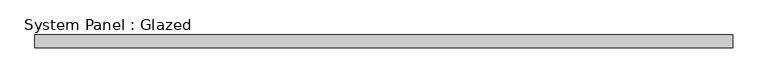
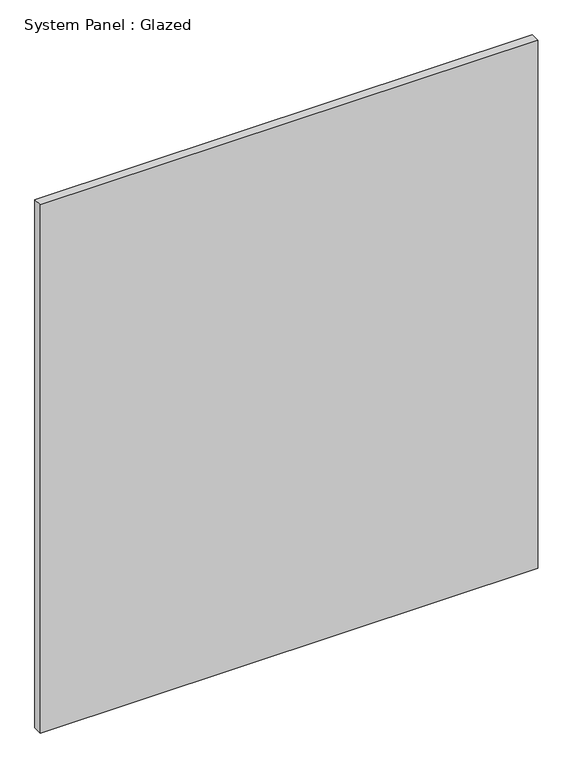
"""IFC4 building model written with IfcOpenShell, lengths in millimetres: plate geometry, System Panel : Glazed."""

from ifc_helpers import new_model, si_unit, origin, origin_with_axes, place, context, project, spatial, polyline, outline, extrude, source, transform, mapped, element, save


def system_panel_glazed_6573c7bc(model_context):
    return source(origin(), model_context, "Body", "SweptSolid", [
        extrude(outline(polyline([(671.0251771, 24.5), (-671.0251771, 24.5), (-671.0251771, 49.5), (671.0251771, 49.5), (671.0251771, 24.5)])), origin_with_axes(), (0.0, 0.0, 1.0), 1506.050088),
    ])


if __name__ == "__main__":
    model = new_model("IFC4")
    model_context = context("Model", 3, world=origin())
    ifc_project = project(units=[si_unit("LENGTHUNIT", "METRE", prefix="MILLI")], contexts=[model_context])
    site = spatial("IfcSite", under=ifc_project)
    building = spatial("IfcBuilding", under=site)
    placement = place(None, origin())
    system_panel_glazed_shape = system_panel_glazed_6573c7bc(model_context)
    element("IfcPlate", 1, ObjectType="System Panel : Glazed", at=placement, inside=building, context=model_context, shape_type="MappedRepresentation", body=[
        mapped(system_panel_glazed_shape, transform((0.0, 0.0, 0.0), x_axis=(1.0, 0.0, 0.0), y_axis=(0.0, 1.0, 0.0), z_axis=(0.0, 0.0, 1.0))),
    ])
    save(model, "model.ifc")
